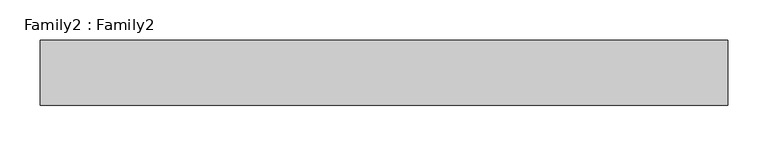
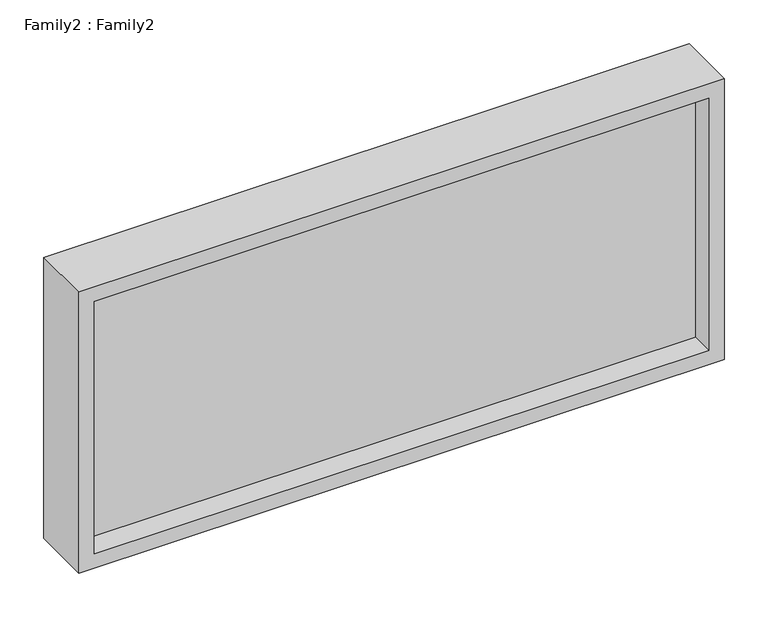
"""IFC4 building model written with IfcOpenShell, lengths in millimetres: plate geometry, Family2 : Family2."""

import ifcopenshell
import ifcopenshell.guid

model = None  # the IFC model being written
_history = None  # IfcOwnerHistory: only IFC2X3 demands one
_inside = {}  # id of a spatial element -> (the spatial element, [elements in it])
_under = {}  # id of a project, library or spatial element -> (it, [spatial elements below it])
_declared = {}  # id of a project -> (the project, [libraries it declares])
_typed = {}  # id of a type object -> (the type object, [elements of that type])
_made_of = {}  # id of a material, layer set ... -> (it, [elements and type objects made of it])


def new_model(schema):
    """Start an empty IFC model of exactly this schema.

    Asked for "IFC4X3", IfcOpenShell would pick the latest addendum, in which some entities
    have other attributes; the version numbers below select the first issue.
    IFC2X3 requires an IfcOwnerHistory on every rooted entity: one is made here for all.
    """
    global model, _history
    if schema == "IFC4X3":
        model = ifcopenshell.file(schema_version=(4, 3, 0, 0))
    else:
        model = ifcopenshell.file(schema=schema)
    _inside.clear()
    _under.clear()
    _declared.clear()
    _typed.clear()
    _made_of.clear()
    _history = None
    if model.schema == "IFC2X3":
        org = make("IfcOrganization", Name="unknown")
        user = make(
            "IfcPersonAndOrganization",
            ThePerson=make("IfcPerson", FamilyName="unknown"),
            TheOrganization=org,
        )
        app = make(
            "IfcApplication",
            ApplicationDeveloper=org,
            Version="unknown",
            ApplicationFullName="unknown",
            ApplicationIdentifier="unknown",
        )
        _history = make(
            "IfcOwnerHistory",
            OwningUser=user,
            OwningApplication=app,
            ChangeAction="ADDED",
            CreationDate=0,
        )
    return model


def make(cls, **values):
    """One entity of the class cls with the attributes given. An attribute that is None is left unset."""
    return model.create_entity(
        cls, **{name: value for name, value in values.items() if value is not None}
    )


def rooted(cls, **values):
    """An entity with a GlobalId (a new one), such as an element, a storey or a relation."""
    return make(cls, GlobalId=ifcopenshell.guid.new(), OwnerHistory=_history, **values)


def si_unit(unit_type, name, prefix=None):
    """IfcSIUnit, for example si_unit("LENGTHUNIT", "METRE", prefix="MILLI")."""
    return make("IfcSIUnit", UnitType=unit_type, Prefix=prefix, Name=name)


def assignment(units):
    """IfcUnitAssignment: the units of a project."""
    return None if units is None else make("IfcUnitAssignment", Units=units)


def point(xyz):
    """IfcCartesianPoint."""
    return None if xyz is None else make("IfcCartesianPoint", Coordinates=xyz)


def direction(xyz):
    """IfcDirection."""
    return None if xyz is None else make("IfcDirection", DirectionRatios=xyz)


def frame(location, z_axis=None, x_axis=None):
    """IfcAxis2Placement3D, a coordinate frame: its origin and axes. An axis left out is left unset."""
    return make(
        "IfcAxis2Placement3D",
        Location=point(location),
        Axis=direction(z_axis),
        RefDirection=direction(x_axis),
    )


def origin():
    """The frame at (0, 0, 0) with its axes left unset."""
    return frame((0.0, 0.0, 0.0))


def place(relative_to, where):
    """IfcLocalPlacement: puts the frame where relative to a parent placement (None: the world)."""
    return make(
        "IfcLocalPlacement", PlacementRelTo=relative_to, RelativePlacement=where
    )


def context(
    kind, dimensions, precision=None, world=None, true_north=None, identifier=None
):
    """IfcGeometricRepresentationContext, for example the 3D "Model" context."""
    return make(
        "IfcGeometricRepresentationContext",
        ContextIdentifier=identifier,
        ContextType=kind,
        CoordinateSpaceDimension=dimensions,
        Precision=precision,
        WorldCoordinateSystem=world,
        TrueNorth=true_north,
    )


def project(units=None, contexts=None):
    """IfcProject with its units and contexts."""
    return rooted(
        "IfcProject",
        Name="project",
        RepresentationContexts=contexts,
        UnitsInContext=assignment(units),
    )


def spatial(cls, under=None, at=None, **own):
    """A site, building, storey or space (cls), placed at a placement, below another one or the project."""
    s = rooted(cls, ObjectPlacement=at, **own)
    if under is not None:
        _under.setdefault(under.id(), (under, []))[1].append(s)
    return s


def polyline(points):
    """IfcPolyline through the points."""
    return make("IfcPolyline", Points=[point(p) for p in points])


def outline(outer, holes=None, kind="AREA"):
    """IfcArbitraryClosedProfileDef: a profile drawn as a closed curve; with holes, ...WithVoids."""
    if holes is None:
        return make("IfcArbitraryClosedProfileDef", ProfileType=kind, OuterCurve=outer)
    return make(
        "IfcArbitraryProfileDefWithVoids",
        ProfileType=kind,
        OuterCurve=outer,
        InnerCurves=holes,
    )


def extrude(swept, where, along, depth):
    """IfcExtrudedAreaSolid: the profile swept, set in the frame where, extruded along a direction by depth."""
    return make(
        "IfcExtrudedAreaSolid",
        SweptArea=swept,
        Position=where,
        ExtrudedDirection=direction(along),
        Depth=depth,
    )


def shape(context_of_items, identifier, shape_type, items):
    """IfcShapeRepresentation: the items that make up one representation, for example the "Body"."""
    return make(
        "IfcShapeRepresentation",
        ContextOfItems=context_of_items,
        RepresentationIdentifier=identifier,
        RepresentationType=shape_type,
        Items=items,
    )


def source(mapping_origin, context_of_items, identifier, shape_type, items):
    """IfcRepresentationMap: a shape defined once, which mapped items show again and again."""
    return make(
        "IfcRepresentationMap",
        MappingOrigin=mapping_origin,
        MappedRepresentation=shape(context_of_items, identifier, shape_type, items),
    )


def transform(
    local_origin,
    x_axis=None,
    y_axis=None,
    z_axis=None,
    scale=None,
    scale2=None,
    scale3=None,
    uniform=True,
):
    """IfcCartesianTransformationOperator3D, or its non-uniform kind. x_axis, y_axis, z_axis: its Axis1, 2, 3."""
    if uniform:
        return make(
            "IfcCartesianTransformationOperator3D",
            Axis1=direction(x_axis),
            Axis2=direction(y_axis),
            LocalOrigin=point(local_origin),
            Scale=scale,
            Axis3=direction(z_axis),
        )
    return make(
        "IfcCartesianTransformationOperator3DnonUniform",
        Axis1=direction(x_axis),
        Axis2=direction(y_axis),
        LocalOrigin=point(local_origin),
        Scale=scale,
        Axis3=direction(z_axis),
        Scale2=scale2,
        Scale3=scale3,
    )


def mapped(mapping_source, mapping_target):
    """IfcMappedItem: shows the shape of a source again, moved by a transform."""
    return make(
        "IfcMappedItem", MappingSource=mapping_source, MappingTarget=mapping_target
    )


def made_of(thing, what):
    """Note that an element or type object is made of a material, layer set ...; save() writes the relation."""
    if what is not None:
        _made_of.setdefault(what.id(), (what, []))[1].append(thing)
    return thing


def element(
    cls,
    number,
    at=None,
    inside=None,
    cuts=None,
    type_object=None,
    material=None,
    context=None,
    identifier="Body",
    shape_type=None,
    held_by="IfcProductDefinitionShape",
    body=None,
    shapes=None,
    **own,
):
    """One element of the class cls, such as IfcWall. Its Tag is "e" and its number.

    at: its placement. inside: the storey or other place that contains it. cuts: it is an
    opening in that element (IfcRelVoidsElement). A single representation is given by context,
    identifier, shape_type and body (its items); several are given by shapes. held_by: the class
    of the entity that holds the representations. save() writes the other relations.
    """
    e = rooted(cls, Tag="e%d" % number, ObjectPlacement=at, **own)
    if body is not None:
        shapes = [shape(context, identifier, shape_type, body)]
    if shapes is not None:
        e.Representation = make(held_by, Representations=shapes)
    if inside is not None:
        _inside.setdefault(inside.id(), (inside, []))[1].append(e)
    if cuts is not None:
        rooted(
            "IfcRelVoidsElement", RelatingBuildingElement=cuts, RelatedOpeningElement=e
        )
    if type_object is not None:
        _typed.setdefault(type_object.id(), (type_object, []))[1].append(e)
    return made_of(e, material)


def aggregate(whole, parts):
    """IfcRelAggregates: a whole, such as a stair, and the parts it consists of."""
    return rooted("IfcRelAggregates", RelatingObject=whole, RelatedObjects=parts)


def save(model, path):
    """Write the relations noted so far, then the file.

    IfcRelAggregates (storeys below a building ...), IfcRelContainedInSpatialStructure (elements
    in a storey), IfcRelDefinesByType, IfcRelAssociatesMaterial and IfcRelDeclares: one each for
    every whole, place, type object, material and project.
    """
    for whole, parts in _under.values():
        aggregate(whole, parts)
    for where, things in _inside.values():
        rooted(
            "IfcRelContainedInSpatialStructure",
            RelatedElements=things,
            RelatingStructure=where,
        )
    for kind, things in _typed.values():
        rooted("IfcRelDefinesByType", RelatedObjects=things, RelatingType=kind)
    for what, things in _made_of.values():
        rooted("IfcRelAssociatesMaterial", RelatedObjects=things, RelatingMaterial=what)
    for by, libraries in _declared.values():
        rooted("IfcRelDeclares", RelatingContext=by, RelatedDefinitions=libraries)
    model.write(path)


def family2_family2_b309a06e(model_context):
    return source(origin(), model_context, "Body", "SweptSolid", [
        extrude(outline(polyline([(391.6666667, -425.0), (0.0, -425.0), (0.0, 425.0), (391.6666667, 425.0), (391.6666667, -425.0)]), holes=[polyline([(20.0, -405.0), (371.6666667, -405.0), (371.6666667, 405.0), (20.0, 405.0), (20.0, -405.0)])]), frame((0.0, -40.0, 0.0), z_axis=(0.0, 1.0, 0.0), x_axis=(0.0, 0.0, 1.0)), (0.0, 0.0, 1.0), 80.0),
        extrude(outline(polyline([(405.0, -10.0), (-405.0, -10.0), (-405.0, 10.0), (405.0, 10.0), (405.0, -10.0)])), frame((0.0, 0.0, 20.0), z_axis=(0.0, 0.0, 1.0), x_axis=(1.0, 0.0, 0.0)), (0.0, 0.0, 1.0), 351.6666667),
    ])


if __name__ == "__main__":
    model = new_model("IFC4")
    model_context = context("Model", 3, world=origin())
    ifc_project = project(units=[si_unit("LENGTHUNIT", "METRE", prefix="MILLI")], contexts=[model_context])
    site = spatial("IfcSite", under=ifc_project)
    building = spatial("IfcBuilding", under=site)
    placement = place(None, origin())
    family2_family2_shape = family2_family2_b309a06e(model_context)
    element("IfcPlate", 1, ObjectType="Family2 : Family2", at=placement, inside=building, context=model_context, shape_type="MappedRepresentation", body=[
        mapped(family2_family2_shape, transform((0.0, 0.0, 0.0), x_axis=(1.0, 0.0, 0.0), y_axis=(0.0, 1.0, 0.0), z_axis=(0.0, 0.0, 1.0))),
    ])
    save(model, "model.ifc")
